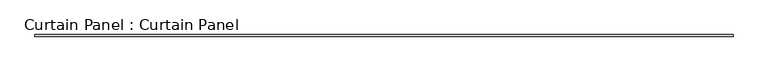
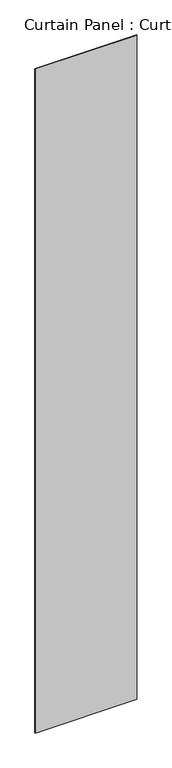
"""IFC4 building model written with IfcOpenShell, lengths in millimetres: plate geometry, Curtain Panel : Curtain Panel."""

import ifcopenshell
import ifcopenshell.guid

model = None  # the IFC model being written
_history = None  # IfcOwnerHistory: only IFC2X3 demands one
_inside = {}  # id of a spatial element -> (the spatial element, [elements in it])
_under = {}  # id of a project, library or spatial element -> (it, [spatial elements below it])
_declared = {}  # id of a project -> (the project, [libraries it declares])
_typed = {}  # id of a type object -> (the type object, [elements of that type])
_made_of = {}  # id of a material, layer set ... -> (it, [elements and type objects made of it])


def new_model(schema):
    """Start an empty IFC model of exactly this schema.

    Asked for "IFC4X3", IfcOpenShell would pick the latest addendum, in which some entities
    have other attributes; the version numbers below select the first issue.
    IFC2X3 requires an IfcOwnerHistory on every rooted entity: one is made here for all.
    """
    global model, _history
    if schema == "IFC4X3":
        model = ifcopenshell.file(schema_version=(4, 3, 0, 0))
    else:
        model = ifcopenshell.file(schema=schema)
    _inside.clear()
    _under.clear()
    _declared.clear()
    _typed.clear()
    _made_of.clear()
    _history = None
    if model.schema == "IFC2X3":
        org = make("IfcOrganization", Name="unknown")
        user = make(
            "IfcPersonAndOrganization",
            ThePerson=make("IfcPerson", FamilyName="unknown"),
            TheOrganization=org,
        )
        app = make(
            "IfcApplication",
            ApplicationDeveloper=org,
            Version="unknown",
            ApplicationFullName="unknown",
            ApplicationIdentifier="unknown",
        )
        _history = make(
            "IfcOwnerHistory",
            OwningUser=user,
            OwningApplication=app,
            ChangeAction="ADDED",
            CreationDate=0,
        )
    return model


def make(cls, **values):
    """One entity of the class cls with the attributes given. An attribute that is None is left unset."""
    return model.create_entity(
        cls, **{name: value for name, value in values.items() if value is not None}
    )


def rooted(cls, **values):
    """An entity with a GlobalId (a new one), such as an element, a storey or a relation."""
    return make(cls, GlobalId=ifcopenshell.guid.new(), OwnerHistory=_history, **values)


def si_unit(unit_type, name, prefix=None):
    """IfcSIUnit, for example si_unit("LENGTHUNIT", "METRE", prefix="MILLI")."""
    return make("IfcSIUnit", UnitType=unit_type, Prefix=prefix, Name=name)


def assignment(units):
    """IfcUnitAssignment: the units of a project."""
    return None if units is None else make("IfcUnitAssignment", Units=units)


def point(xyz):
    """IfcCartesianPoint."""
    return None if xyz is None else make("IfcCartesianPoint", Coordinates=xyz)


def direction(xyz):
    """IfcDirection."""
    return None if xyz is None else make("IfcDirection", DirectionRatios=xyz)


def frame(location, z_axis=None, x_axis=None):
    """IfcAxis2Placement3D, a coordinate frame: its origin and axes. An axis left out is left unset."""
    return make(
        "IfcAxis2Placement3D",
        Location=point(location),
        Axis=direction(z_axis),
        RefDirection=direction(x_axis),
    )


def origin():
    """The frame at (0, 0, 0) with its axes left unset."""
    return frame((0.0, 0.0, 0.0))


def place(relative_to, where):
    """IfcLocalPlacement: puts the frame where relative to a parent placement (None: the world)."""
    return make(
        "IfcLocalPlacement", PlacementRelTo=relative_to, RelativePlacement=where
    )


def context(
    kind, dimensions, precision=None, world=None, true_north=None, identifier=None
):
    """IfcGeometricRepresentationContext, for example the 3D "Model" context."""
    return make(
        "IfcGeometricRepresentationContext",
        ContextIdentifier=identifier,
        ContextType=kind,
        CoordinateSpaceDimension=dimensions,
        Precision=precision,
        WorldCoordinateSystem=world,
        TrueNorth=true_north,
    )


def project(units=None, contexts=None):
    """IfcProject with its units and contexts."""
    return rooted(
        "IfcProject",
        Name="project",
        RepresentationContexts=contexts,
        UnitsInContext=assignment(units),
    )


def spatial(cls, under=None, at=None, **own):
    """A site, building, storey or space (cls), placed at a placement, below another one or the project."""
    s = rooted(cls, ObjectPlacement=at, **own)
    if under is not None:
        _under.setdefault(under.id(), (under, []))[1].append(s)
    return s


def polyline(points):
    """IfcPolyline through the points."""
    return make("IfcPolyline", Points=[point(p) for p in points])


def outline(outer, holes=None, kind="AREA"):
    """IfcArbitraryClosedProfileDef: a profile drawn as a closed curve; with holes, ...WithVoids."""
    if holes is None:
        return make("IfcArbitraryClosedProfileDef", ProfileType=kind, OuterCurve=outer)
    return make(
        "IfcArbitraryProfileDefWithVoids",
        ProfileType=kind,
        OuterCurve=outer,
        InnerCurves=holes,
    )


def extrude(swept, where, along, depth):
    """IfcExtrudedAreaSolid: the profile swept, set in the frame where, extruded along a direction by depth."""
    return make(
        "IfcExtrudedAreaSolid",
        SweptArea=swept,
        Position=where,
        ExtrudedDirection=direction(along),
        Depth=depth,
    )


def shape(context_of_items, identifier, shape_type, items):
    """IfcShapeRepresentation: the items that make up one representation, for example the "Body"."""
    return make(
        "IfcShapeRepresentation",
        ContextOfItems=context_of_items,
        RepresentationIdentifier=identifier,
        RepresentationType=shape_type,
        Items=items,
    )


def source(mapping_origin, context_of_items, identifier, shape_type, items):
    """IfcRepresentationMap: a shape defined once, which mapped items show again and again."""
    return make(
        "IfcRepresentationMap",
        MappingOrigin=mapping_origin,
        MappedRepresentation=shape(context_of_items, identifier, shape_type, items),
    )


def transform(
    local_origin,
    x_axis=None,
    y_axis=None,
    z_axis=None,
    scale=None,
    scale2=None,
    scale3=None,
    uniform=True,
):
    """IfcCartesianTransformationOperator3D, or its non-uniform kind. x_axis, y_axis, z_axis: its Axis1, 2, 3."""
    if uniform:
        return make(
            "IfcCartesianTransformationOperator3D",
            Axis1=direction(x_axis),
            Axis2=direction(y_axis),
            LocalOrigin=point(local_origin),
            Scale=scale,
            Axis3=direction(z_axis),
        )
    return make(
        "IfcCartesianTransformationOperator3DnonUniform",
        Axis1=direction(x_axis),
        Axis2=direction(y_axis),
        LocalOrigin=point(local_origin),
        Scale=scale,
        Axis3=direction(z_axis),
        Scale2=scale2,
        Scale3=scale3,
    )


def mapped(mapping_source, mapping_target):
    """IfcMappedItem: shows the shape of a source again, moved by a transform."""
    return make(
        "IfcMappedItem", MappingSource=mapping_source, MappingTarget=mapping_target
    )


def made_of(thing, what):
    """Note that an element or type object is made of a material, layer set ...; save() writes the relation."""
    if what is not None:
        _made_of.setdefault(what.id(), (what, []))[1].append(thing)
    return thing


def element(
    cls,
    number,
    at=None,
    inside=None,
    cuts=None,
    type_object=None,
    material=None,
    context=None,
    identifier="Body",
    shape_type=None,
    held_by="IfcProductDefinitionShape",
    body=None,
    shapes=None,
    **own,
):
    """One element of the class cls, such as IfcWall. Its Tag is "e" and its number.

    at: its placement. inside: the storey or other place that contains it. cuts: it is an
    opening in that element (IfcRelVoidsElement). A single representation is given by context,
    identifier, shape_type and body (its items); several are given by shapes. held_by: the class
    of the entity that holds the representations. save() writes the other relations.
    """
    e = rooted(cls, Tag="e%d" % number, ObjectPlacement=at, **own)
    if body is not None:
        shapes = [shape(context, identifier, shape_type, body)]
    if shapes is not None:
        e.Representation = make(held_by, Representations=shapes)
    if inside is not None:
        _inside.setdefault(inside.id(), (inside, []))[1].append(e)
    if cuts is not None:
        rooted(
            "IfcRelVoidsElement", RelatingBuildingElement=cuts, RelatedOpeningElement=e
        )
    if type_object is not None:
        _typed.setdefault(type_object.id(), (type_object, []))[1].append(e)
    return made_of(e, material)


def aggregate(whole, parts):
    """IfcRelAggregates: a whole, such as a stair, and the parts it consists of."""
    return rooted("IfcRelAggregates", RelatingObject=whole, RelatedObjects=parts)


def save(model, path):
    """Write the relations noted so far, then the file.

    IfcRelAggregates (storeys below a building ...), IfcRelContainedInSpatialStructure (elements
    in a storey), IfcRelDefinesByType, IfcRelAssociatesMaterial and IfcRelDeclares: one each for
    every whole, place, type object, material and project.
    """
    for whole, parts in _under.values():
        aggregate(whole, parts)
    for where, things in _inside.values():
        rooted(
            "IfcRelContainedInSpatialStructure",
            RelatedElements=things,
            RelatingStructure=where,
        )
    for kind, things in _typed.values():
        rooted("IfcRelDefinesByType", RelatedObjects=things, RelatingType=kind)
    for what, things in _made_of.values():
        rooted("IfcRelAssociatesMaterial", RelatedObjects=things, RelatingMaterial=what)
    for by, libraries in _declared.values():
        rooted("IfcRelDeclares", RelatingContext=by, RelatedDefinitions=libraries)
    model.write(path)


def curtain_panel_curtain_panel_e0c8e360(model_context):
    return source(origin(), model_context, "Body", "SweptSolid", [
        extrude(outline(polyline([(260336.9386393, 2414.4484836), (257898.5386393, 2414.4484836), (257898.5386393, 2420.7984836), (260336.9386393, 2420.7984836), (260336.9386393, 2414.4484836)])), frame((0.0, 0.0, 4914.2249337), z_axis=(0.0, 0.0, 1.0), x_axis=(1.0, 0.0, 0.0)), (0.0, 0.0, 1.0), 16846.9767869),
    ])


if __name__ == "__main__":
    model = new_model("IFC4")
    model_context = context("Model", 3, world=origin())
    ifc_project = project(units=[si_unit("LENGTHUNIT", "METRE", prefix="MILLI")], contexts=[model_context])
    site = spatial("IfcSite", under=ifc_project)
    building = spatial("IfcBuilding", under=site)
    placement = place(None, origin())
    curtain_panel_curtain_panel_shape = curtain_panel_curtain_panel_e0c8e360(model_context)
    element("IfcPlate", 1, ObjectType="Curtain Panel : Curtain Panel", at=placement, inside=building, context=model_context, shape_type="MappedRepresentation", body=[
        mapped(curtain_panel_curtain_panel_shape, transform((0.0, 0.0, 0.0), x_axis=(1.0, 0.0, 0.0), y_axis=(0.0, 1.0, 0.0), z_axis=(0.0, 0.0, 1.0))),
    ])
    save(model, "model.ifc")
